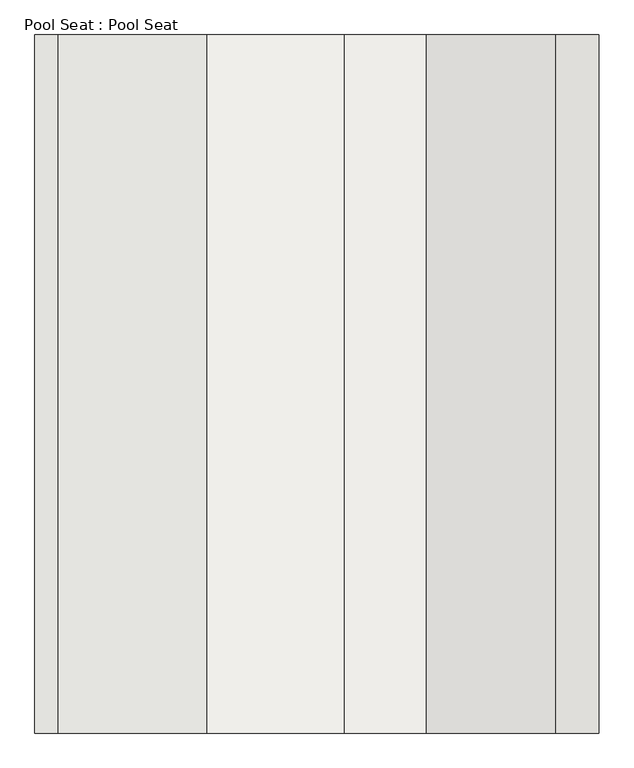
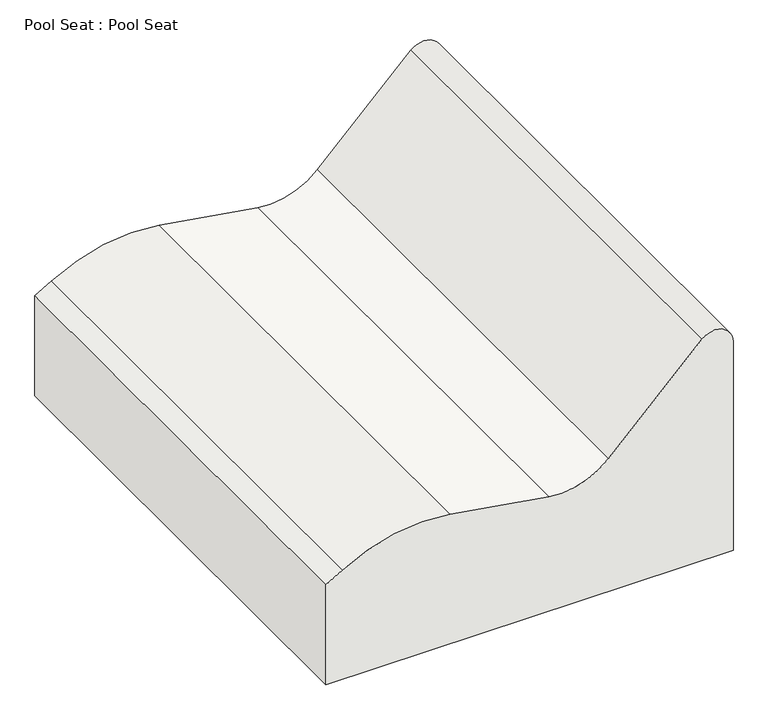
"""IFC4 building model written with IfcOpenShell, lengths in millimetres: slab geometry, Pool Seat : Pool Seat."""

from ifc_helpers import new_model, si_unit, point, frame, frame_2d, origin, place, context, project, spatial, polyline, circle_curve, trimmed, segment, composite_curve, outline, extrude, source, transform, mapped, element, save


def pool_seat_pool_seat_ad0a01bd(model_context):
    return source(origin(), model_context, "Body", "SweptSolid", [
        extrude(outline(composite_curve([segment(trimmed(circle_curve(frame_2d((66795.178273, 79092.6565939)), 700.0), [point((67486.5601114, 79202.1607195))], [point((67395.1953835, 78732.1299415))], False, "CARTESIAN"), True, "CONTINUOUS"), segment(polyline([(67395.1953835, 78732.1299415), (67352.257059, 78660.6685692), (66891.6666667, 78660.6685692), (66891.6666667, 80433.8116061), (67852.4254802, 80433.8116061)]), True, "CONTINUOUS"), segment(trimmed(circle_curve(frame_2d((67852.4254802, 80353.8116061)), 80.0), [point((67852.4254802, 80433.8116061))], [point((67908.9940226, 80297.2430636))], False, "CARTESIAN"), True, "CONTINUOUS"), segment(polyline([(67908.9940226, 80297.2430636), (67502.6764115, 79890.9254525)]), True, "CONTINUOUS"), segment(trimmed(circle_curve(frame_2d((67714.8084459, 79678.7934181)), 300.0), [point((67502.6764115, 79890.9254525))], [point((67418.5019437, 79631.8630786))], True, "CARTESIAN"), True, "CONTINUOUS"), segment(polyline([(67418.5019437, 79631.8630786), (67486.5601114, 79202.1607195)]), True, "CONTINUOUS")], self_intersect=False)), frame((0.0, -36252.654403, 0.0), z_axis=(0.0, 1.0, 0.0), x_axis=(0.0, 0.0, 1.0)), (0.0, 0.0, 1.0), 2193.4895085),
    ])


if __name__ == "__main__":
    model = new_model("IFC4")
    model_context = context("Model", 3, world=origin())
    ifc_project = project(units=[si_unit("LENGTHUNIT", "METRE", prefix="MILLI")], contexts=[model_context])
    site = spatial("IfcSite", under=ifc_project)
    building = spatial("IfcBuilding", under=site)
    placement = place(None, origin())
    pool_seat_pool_seat_shape = pool_seat_pool_seat_ad0a01bd(model_context)
    element("IfcSlab", 1, ObjectType="Pool Seat : Pool Seat", at=placement, inside=building, context=model_context, shape_type="MappedRepresentation", body=[
        mapped(pool_seat_pool_seat_shape, transform((0.0, 0.0, 0.0), x_axis=(1.0, 0.0, 0.0), y_axis=(0.0, 1.0, 0.0), z_axis=(0.0, 0.0, 1.0))),
    ])
    save(model, "model.ifc")
